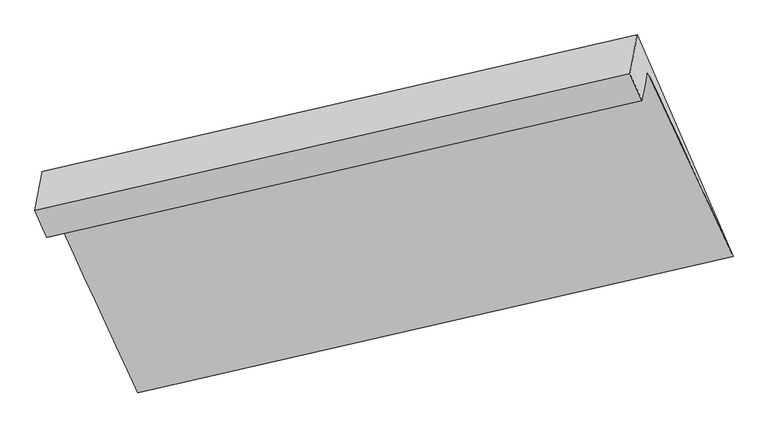
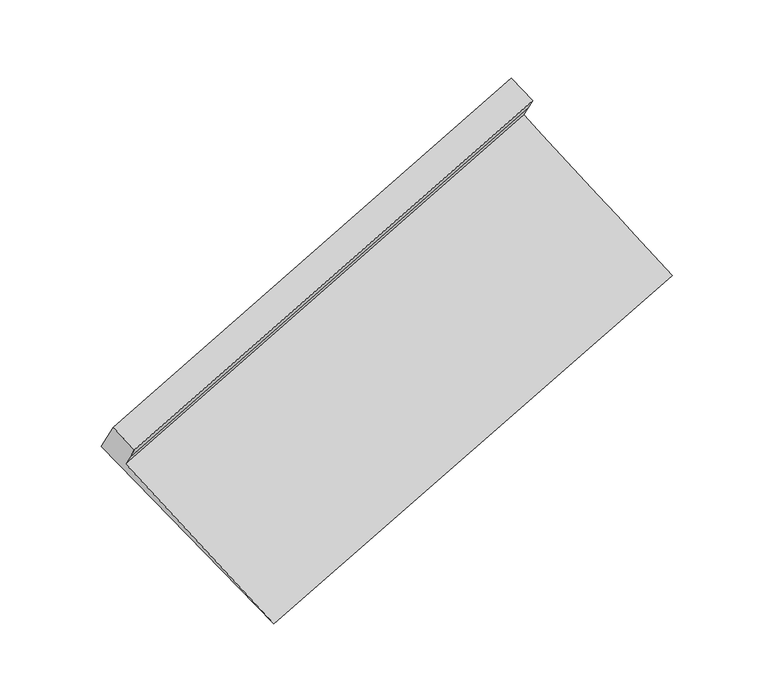
"""IFC4 building model written with IfcOpenShell, lengths in millimetres: proxy geometry."""

from ifc_helpers import new_model, si_unit, frame, origin, place, context, project, spatial, source, transform, mapped, element, save
from ifc_brep_helpers import plane_surface, spline_surface, advanced_brep


def generic_models_2f728967(model_context):
    return source(origin(), model_context, "Body", "AdvancedBrep", [
        advanced_brep(
        [(-5188.8585328, -1994.1462015, 1539.2189895), (-5168.1786894, -1883.9100243, 1392.33538), (-718.7585904, -861.5095768, 2793.7242568), (-739.2217671, -970.5907881, 2939.0689383), (-5147.4988459, -1773.6738472, 1245.4517705), (-698.2954136, -752.4283655, 2648.3795754), (-4509.2096475, -3156.8973476, 220.6233583), (-57.2034854, -2134.9311103, 1614.0695507), (-5223.4955565, -1500.6440849, 1288.0391712), (-774.2790547, -477.897695, 2689.8247898), (-5278.3397454, -1792.997058, 1677.5833394), (-828.8918334, -769.0171112, 3077.7253118)],
        [
            (0, 1),
            (1, 2),
            (2, 3),
            (3, 0),
            (1, 4),
            (4, 5),
            (5, 2),
            (4, 6),
            (6, 7),
            (7, 5),
            (6, 8),
            (8, 9),
            (9, 7),
            (8, 10),
            (10, 11),
            (11, 9),
            (10, 0),
            (3, 11),
        ],
        [
            plane_surface(frame((-5178.5186111, -1939.0281129, 1465.7771848), z_axis=(0.34519064627838836, -0.7733339129100173, -0.5317876238360484), x_axis=(0.11189830314685875, 0.596486196419287, -0.7947848685236185))),
            plane_surface(frame((-5157.8387676, -1828.7919358, 1318.8935753), z_axis=(0.34519064627838864, -0.7733339129100159, -0.5317876238360502), x_axis=(0.11189830314685838, 0.5964861964192889, -0.7947848685236172))),
            spline_surface(1, 1, [[(-5147.4988459, -1773.6738472, 1245.4517705), (-698.2954136, -752.4283655, 2648.3795754)], [(-4509.2096475, -3156.8973476, 220.6233583), (-57.2034854, -2134.9311103, 1614.0695507)]], [2, 2], [2, 2], [0.0, 1.0], [0.0, 1.0]),
            spline_surface(1, 1, [[(-4509.2096475, -3156.8973476, 220.6233583), (-57.2034854, -2134.9311103, 1614.0695507)], [(-5223.4955565, -1500.6440849, 1288.0391712), (-774.2790547, -477.897695, 2689.8247898)]], [2, 2], [2, 2], [0.0, 1.0], [0.0, 1.0]),
            plane_surface(frame((-5250.917651, -1646.8205715, 1482.8112553), z_axis=(-0.34529772644146145, 0.7733092186939109, 0.5317540149330053), x_axis=(-0.11189830314685861, -0.596486196419288, 0.7947848685236178))),
            plane_surface(frame((-5233.5991391, -1893.5716297, 1608.4011644), z_axis=(-0.11270565126035244, -0.596671282565024, 0.794531822355901), x_axis=(0.34412654572183254, -0.7735786978648824, -0.532121150434027))),
            plane_surface(frame((-619.5783109, -1020.973014, 2593.8136332), z_axis=(0.9322315647318606, 0.21396311759489153, 0.29182887798616086), x_axis=(-0.11189830314685861, -0.596486196419288, 0.7947848685236178))),
            plane_surface(frame((-5069.4804656, -2043.6717078, 1194.1833258), z_axis=(-0.9322315647318675, -0.21396311759487585, -0.29182887798614987), x_axis=(-0.3441265457218128, 0.7735786978648909, 0.5321211504340275))),
        ],
        [
            (0, [[1, 2, 3, 4]]),
            (1, [[5, 6, 7, -2]]),
            (2, [[8, 9, 10, -6]]),
            (3, [[11, 12, 13, -9]]),
            (4, [[14, 15, 16, -12]]),
            (5, [[17, -4, 18, -15]]),
            (6, [[-16, -18, -3, -7, -10, -13]]),
            (7, [[-17, -14, -11, -8, -5, -1]]),
        ],
    ),
    ])


if __name__ == "__main__":
    model = new_model("IFC4")
    model_context = context("Model", 3, world=origin())
    ifc_project = project(units=[si_unit("LENGTHUNIT", "METRE", prefix="MILLI")], contexts=[model_context])
    site = spatial("IfcSite", under=ifc_project)
    building = spatial("IfcBuilding", under=site)
    placement = place(None, origin())
    generic_models_shape = generic_models_2f728967(model_context)
    element("IfcBuildingElementProxy", 1, Name="Generic Models", at=placement, inside=building, context=model_context, shape_type="MappedRepresentation", body=[
        mapped(generic_models_shape, transform((0.0, 0.0, 0.0), x_axis=(1.0, 0.0, 0.0), y_axis=(0.0, 1.0, 0.0), z_axis=(0.0, 0.0, 1.0))),
    ])
    save(model, "model.ifc")
